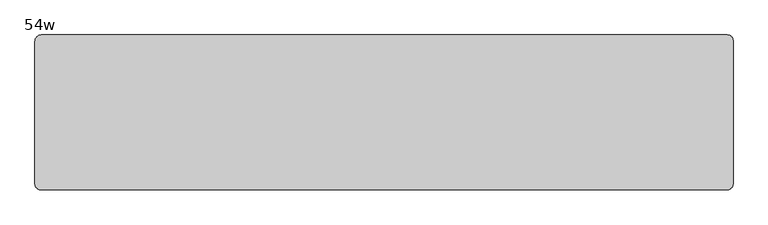
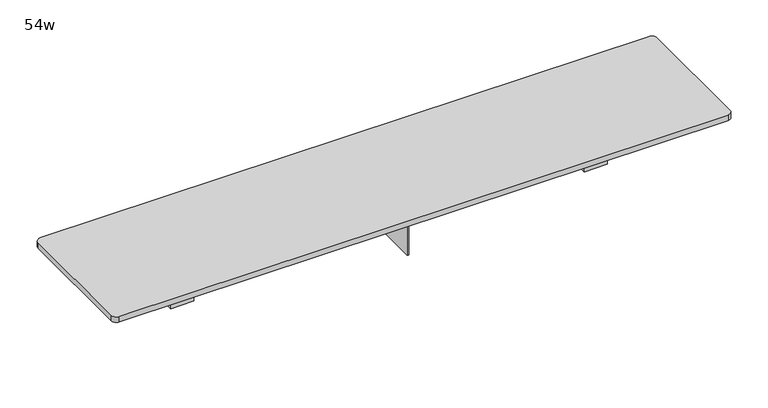
"""IFC4 building model written with IfcOpenShell, lengths in millimetres: furniture geometry, 54w."""

from ifc_helpers import new_model, si_unit, point, frame, frame_2d, origin, place, context, project, spatial, polyline, circle_curve, trimmed, segment, composite_curve, outline, extrude, source, transform, mapped, element, save


def furniture_54w_859d2efc(model_context):
    return source(origin(), model_context, "Body", "SweptSolid", [
        extrude(outline(polyline([(-431.8, -361.8447791), (-482.6, -361.8447791), (-482.6, -323.393458), (-431.8, -323.393458), (-431.8, -361.8447791)])), frame((0.0, 0.0, 736.6), z_axis=(0.0, 0.0, 1.0), x_axis=(1.0, 0.0, 0.0)), (0.0, 0.0, 1.0), 115.5192085),
        extrude(outline(polyline([(431.8, -361.8447791), (431.8, -323.393458), (482.6, -323.393458), (482.6, -361.8447791), (431.8, -361.8447791)])), frame((0.0, 0.0, 736.6), z_axis=(0.0, 0.0, 1.0), x_axis=(1.0, 0.0, 0.0)), (0.0, 0.0, 1.0), 115.5192085),
        extrude(outline(polyline([(1.5875, -433.3841935), (-1.5875, -433.3841935), (-1.5875, -252.4158065), (1.5875, -252.4158065), (1.5875, -433.3841935)])), frame((0.0, 0.0, 736.6), z_axis=(0.0, 0.0, 1.0), x_axis=(1.0, 0.0, 0.0)), (0.0, 0.0, 1.0), 115.5192085),
        extrude(outline(composite_curve([segment(polyline([(673.1, -493.7125), (-673.1, -493.7125)]), True, "CONTINUOUS"), segment(trimmed(circle_curve(frame_2d((-673.1, -482.6)), 11.1125), [point((-673.1, -493.7125))], [point((-684.2125, -482.6))], False, "CARTESIAN"), True, "CONTINUOUS"), segment(polyline([(-684.2125, -482.6), (-684.2125, -203.2)]), True, "CONTINUOUS"), segment(trimmed(circle_curve(frame_2d((-671.5125, -203.2)), 12.7), [point((-684.2125, -203.2))], [point((-671.5125, -190.5))], False, "CARTESIAN"), True, "CONTINUOUS"), segment(polyline([(-671.5125, -190.5), (673.1, -190.5)]), True, "CONTINUOUS"), segment(trimmed(circle_curve(frame_2d((673.1, -201.6125)), 11.1125), [point((673.1, -190.5))], [point((684.2125, -201.6125))], False, "CARTESIAN"), True, "CONTINUOUS"), segment(polyline([(684.2125, -201.6125), (684.2125, -482.6)]), True, "CONTINUOUS"), segment(trimmed(circle_curve(frame_2d((673.1, -482.6)), 11.1125), [point((684.2125, -482.6))], [point((673.1, -493.7125))], False, "CARTESIAN"), True, "CONTINUOUS")], self_intersect=False)), frame((0.0, 0.0, 852.1192085), z_axis=(0.0, 0.0, 1.0), x_axis=(1.0, 0.0, 0.0)), (0.0, 0.0, 1.0), 12.7000242),
    ])


if __name__ == "__main__":
    model = new_model("IFC4")
    model_context = context("Model", 3, world=origin())
    ifc_project = project(units=[si_unit("LENGTHUNIT", "METRE", prefix="MILLI")], contexts=[model_context])
    site = spatial("IfcSite", under=ifc_project)
    building = spatial("IfcBuilding", under=site)
    placement = place(None, origin())
    furniture_54w_shape = furniture_54w_859d2efc(model_context)
    element("IfcFurniture", 1, ObjectType="54w", at=placement, inside=building, context=model_context, shape_type="MappedRepresentation", body=[
        mapped(furniture_54w_shape, transform((0.0, 0.0, 0.0), x_axis=(1.0, 0.0, 0.0), y_axis=(0.0, 1.0, 0.0), z_axis=(0.0, 0.0, 1.0))),
    ])
    save(model, "model.ifc")
